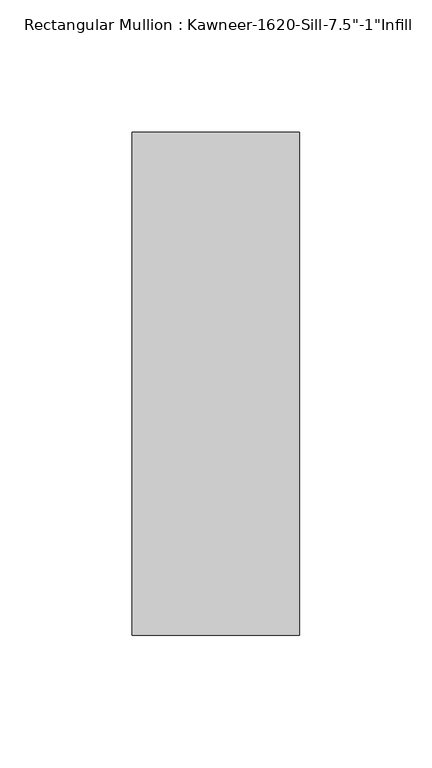
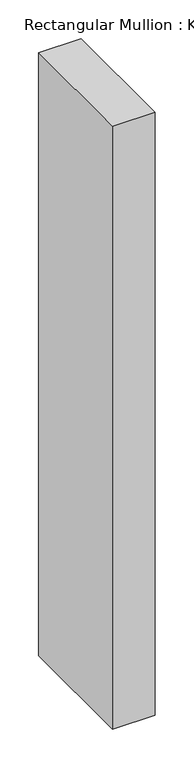
"""IFC4 building model written with IfcOpenShell, lengths in millimetres: member geometry."""

from ifc_helpers import new_model, si_unit, frame, origin, place, context, project, spatial, polyline, outline, extrude, source, transform, mapped, element, save


def member_3dc73248(model_context):
    return source(origin(), model_context, "Body", "SweptSolid", [
        extrude(outline(polyline([(-63.5, 38.1), (0.0, 38.1), (0.0, -152.4), (-63.5, -152.4), (-63.5, 38.1)])), frame((0.0, 0.0, -949.325), z_axis=(0.0, 0.0, 1.0), x_axis=(1.0, 0.0, 0.0)), (0.0, 0.0, 1.0), 949.325),
    ])


if __name__ == "__main__":
    model = new_model("IFC4")
    model_context = context("Model", 3, world=origin())
    ifc_project = project(units=[si_unit("LENGTHUNIT", "METRE", prefix="MILLI")], contexts=[model_context])
    site = spatial("IfcSite", under=ifc_project)
    building = spatial("IfcBuilding", under=site)
    placement = place(None, origin())
    member_shape = member_3dc73248(model_context)
    element("IfcMember", 1, ObjectType="Rectangular Mullion : Kawneer-1620-Sill-7.5\"-1\"Infill", at=placement, inside=building, context=model_context, shape_type="MappedRepresentation", body=[
        mapped(member_shape, transform((0.0, 0.0, 0.0), x_axis=(1.0, 0.0, 0.0), y_axis=(0.0, 1.0, 0.0), z_axis=(0.0, 0.0, 1.0))),
    ])
    save(model, "model.ifc")
